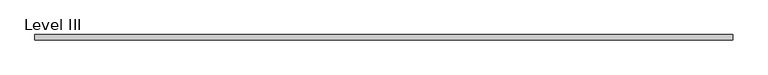
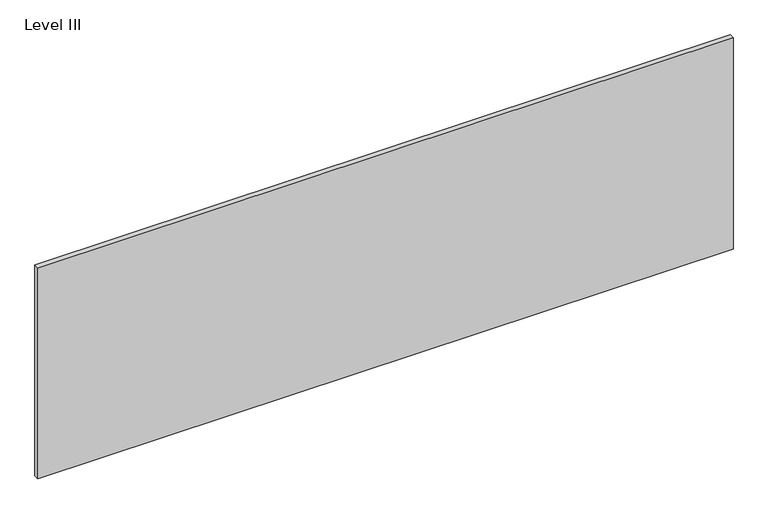
"""IFC4 building model written with IfcOpenShell, lengths in millimetres: proxy geometry, Level III."""

from ifc_helpers import new_model, si_unit, frame, origin, place, context, project, spatial, polyline, outline, extrude, source, transform, mapped, element, save


def level_iii_9491f67b(model_context):
    return source(origin(), model_context, "Body", "SweptSolid", [
        extrude(outline(polyline([(1252.8407125, 9.525), (1252.8407125, -9.525), (-1252.8407125, -9.525), (-1252.8407125, 9.525), (1252.8407125, 9.525)])), frame((0.0, 0.0, 3.175), z_axis=(0.0, 0.0, 1.0), x_axis=(1.0, 0.0, 0.0)), (0.0, 0.0, 1.0), 804.418),
    ])


if __name__ == "__main__":
    model = new_model("IFC4")
    model_context = context("Model", 3, world=origin())
    ifc_project = project(units=[si_unit("LENGTHUNIT", "METRE", prefix="MILLI")], contexts=[model_context])
    site = spatial("IfcSite", under=ifc_project)
    building = spatial("IfcBuilding", under=site)
    placement = place(None, origin())
    level_iii_shape = level_iii_9491f67b(model_context)
    element("IfcBuildingElementProxy", 1, Name="Level III", ObjectType="Level III", at=placement, inside=building, context=model_context, shape_type="MappedRepresentation", body=[
        mapped(level_iii_shape, transform((0.0, 0.0, 0.0), x_axis=(1.0, 0.0, 0.0), y_axis=(0.0, 1.0, 0.0), z_axis=(0.0, 0.0, 1.0))),
    ])
    save(model, "model.ifc")
